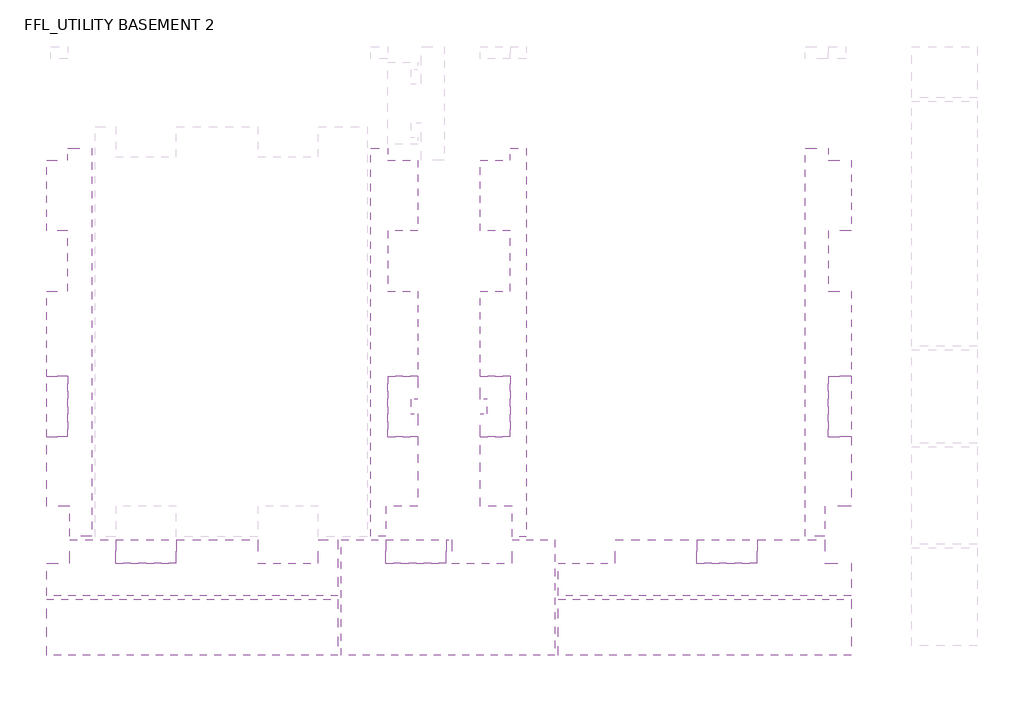
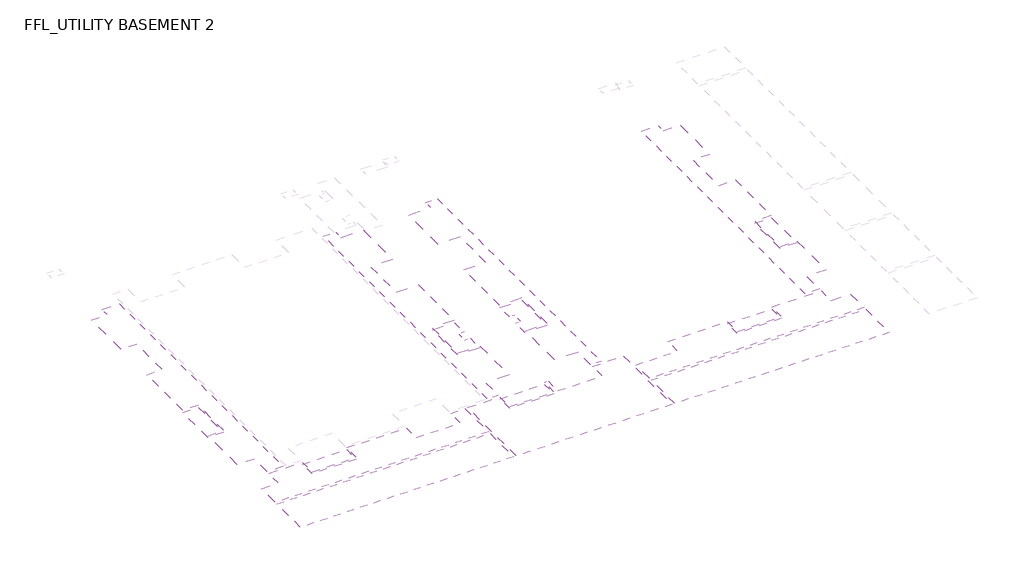
# One storey, part 1 of 3: 16 coverings.
"""IFC4 building model written with IfcOpenShell, lengths in millimetres."""

import ifcopenshell
import ifcopenshell.guid

model = None  # the IFC model being written
_history = None  # IfcOwnerHistory: only IFC2X3 demands one
_inside = {}  # id of a spatial element -> (the spatial element, [elements in it])
_under = {}  # id of a project, library or spatial element -> (it, [spatial elements below it])
_declared = {}  # id of a project -> (the project, [libraries it declares])
_typed = {}  # id of a type object -> (the type object, [elements of that type])
_made_of = {}  # id of a material, layer set ... -> (it, [elements and type objects made of it])


def new_model(schema):
    """Start an empty IFC model of exactly this schema.

    Asked for "IFC4X3", IfcOpenShell would pick the latest addendum, in which some entities
    have other attributes; the version numbers below select the first issue.
    IFC2X3 requires an IfcOwnerHistory on every rooted entity: one is made here for all.
    """
    global model, _history
    if schema == "IFC4X3":
        model = ifcopenshell.file(schema_version=(4, 3, 0, 0))
    else:
        model = ifcopenshell.file(schema=schema)
    _inside.clear()
    _under.clear()
    _declared.clear()
    _typed.clear()
    _made_of.clear()
    _history = None
    if model.schema == "IFC2X3":
        org = make("IfcOrganization", Name="unknown")
        user = make(
            "IfcPersonAndOrganization",
            ThePerson=make("IfcPerson", FamilyName="unknown"),
            TheOrganization=org,
        )
        app = make(
            "IfcApplication",
            ApplicationDeveloper=org,
            Version="unknown",
            ApplicationFullName="unknown",
            ApplicationIdentifier="unknown",
        )
        _history = make(
            "IfcOwnerHistory",
            OwningUser=user,
            OwningApplication=app,
            ChangeAction="ADDED",
            CreationDate=0,
        )
    return model


def make(cls, **values):
    """One entity of the class cls with the attributes given. An attribute that is None is left unset."""
    return model.create_entity(
        cls, **{name: value for name, value in values.items() if value is not None}
    )


def rooted(cls, **values):
    """An entity with a GlobalId (a new one), such as an element, a storey or a relation."""
    return make(cls, GlobalId=ifcopenshell.guid.new(), OwnerHistory=_history, **values)


def si_unit(unit_type, name, prefix=None):
    """IfcSIUnit, for example si_unit("LENGTHUNIT", "METRE", prefix="MILLI")."""
    return make("IfcSIUnit", UnitType=unit_type, Prefix=prefix, Name=name)


def assignment(units):
    """IfcUnitAssignment: the units of a project."""
    return None if units is None else make("IfcUnitAssignment", Units=units)


def point(xyz):
    """IfcCartesianPoint."""
    return None if xyz is None else make("IfcCartesianPoint", Coordinates=xyz)


def direction(xyz):
    """IfcDirection."""
    return None if xyz is None else make("IfcDirection", DirectionRatios=xyz)


def frame(location, z_axis=None, x_axis=None):
    """IfcAxis2Placement3D, a coordinate frame: its origin and axes. An axis left out is left unset."""
    return make(
        "IfcAxis2Placement3D",
        Location=point(location),
        Axis=direction(z_axis),
        RefDirection=direction(x_axis),
    )


def origin():
    """The frame at (0, 0, 0) with its axes left unset."""
    return frame((0.0, 0.0, 0.0))


def place(relative_to, where):
    """IfcLocalPlacement: puts the frame where relative to a parent placement (None: the world)."""
    return make(
        "IfcLocalPlacement", PlacementRelTo=relative_to, RelativePlacement=where
    )


def context(
    kind, dimensions, precision=None, world=None, true_north=None, identifier=None
):
    """IfcGeometricRepresentationContext, for example the 3D "Model" context."""
    return make(
        "IfcGeometricRepresentationContext",
        ContextIdentifier=identifier,
        ContextType=kind,
        CoordinateSpaceDimension=dimensions,
        Precision=precision,
        WorldCoordinateSystem=world,
        TrueNorth=true_north,
    )


def project(units=None, contexts=None):
    """IfcProject with its units and contexts."""
    return rooted(
        "IfcProject",
        Name="project",
        RepresentationContexts=contexts,
        UnitsInContext=assignment(units),
    )


def spatial(cls, under=None, at=None, **own):
    """A site, building, storey or space (cls), placed at a placement, below another one or the project."""
    s = rooted(cls, ObjectPlacement=at, **own)
    if under is not None:
        _under.setdefault(under.id(), (under, []))[1].append(s)
    return s


def polyline(points):
    """IfcPolyline through the points."""
    return make("IfcPolyline", Points=[point(p) for p in points])


def outline(outer, holes=None, kind="AREA"):
    """IfcArbitraryClosedProfileDef: a profile drawn as a closed curve; with holes, ...WithVoids."""
    if holes is None:
        return make("IfcArbitraryClosedProfileDef", ProfileType=kind, OuterCurve=outer)
    return make(
        "IfcArbitraryProfileDefWithVoids",
        ProfileType=kind,
        OuterCurve=outer,
        InnerCurves=holes,
    )


def extrude(swept, where, along, depth):
    """IfcExtrudedAreaSolid: the profile swept, set in the frame where, extruded along a direction by depth."""
    return make(
        "IfcExtrudedAreaSolid",
        SweptArea=swept,
        Position=where,
        ExtrudedDirection=direction(along),
        Depth=depth,
    )


def shape(context_of_items, identifier, shape_type, items):
    """IfcShapeRepresentation: the items that make up one representation, for example the "Body"."""
    return make(
        "IfcShapeRepresentation",
        ContextOfItems=context_of_items,
        RepresentationIdentifier=identifier,
        RepresentationType=shape_type,
        Items=items,
    )


def made_of(thing, what):
    """Note that an element or type object is made of a material, layer set ...; save() writes the relation."""
    if what is not None:
        _made_of.setdefault(what.id(), (what, []))[1].append(thing)
    return thing


def element(
    cls,
    number,
    at=None,
    inside=None,
    cuts=None,
    type_object=None,
    material=None,
    context=None,
    identifier="Body",
    shape_type=None,
    held_by="IfcProductDefinitionShape",
    body=None,
    shapes=None,
    **own,
):
    """One element of the class cls, such as IfcWall. Its Tag is "e" and its number.

    at: its placement. inside: the storey or other place that contains it. cuts: it is an
    opening in that element (IfcRelVoidsElement). A single representation is given by context,
    identifier, shape_type and body (its items); several are given by shapes. held_by: the class
    of the entity that holds the representations. save() writes the other relations.
    """
    e = rooted(cls, Tag="e%d" % number, ObjectPlacement=at, **own)
    if body is not None:
        shapes = [shape(context, identifier, shape_type, body)]
    if shapes is not None:
        e.Representation = make(held_by, Representations=shapes)
    if inside is not None:
        _inside.setdefault(inside.id(), (inside, []))[1].append(e)
    if cuts is not None:
        rooted(
            "IfcRelVoidsElement", RelatingBuildingElement=cuts, RelatedOpeningElement=e
        )
    if type_object is not None:
        _typed.setdefault(type_object.id(), (type_object, []))[1].append(e)
    return made_of(e, material)


def aggregate(whole, parts):
    """IfcRelAggregates: a whole, such as a stair, and the parts it consists of."""
    return rooted("IfcRelAggregates", RelatingObject=whole, RelatedObjects=parts)


def save(model, path):
    """Write the relations noted so far, then the file.

    IfcRelAggregates (storeys below a building ...), IfcRelContainedInSpatialStructure (elements
    in a storey), IfcRelDefinesByType, IfcRelAssociatesMaterial and IfcRelDeclares: one each for
    every whole, place, type object, material and project.
    """
    for whole, parts in _under.values():
        aggregate(whole, parts)
    for where, things in _inside.values():
        rooted(
            "IfcRelContainedInSpatialStructure",
            RelatedElements=things,
            RelatingStructure=where,
        )
    for kind, things in _typed.values():
        rooted("IfcRelDefinesByType", RelatedObjects=things, RelatingType=kind)
    for what, things in _made_of.values():
        rooted("IfcRelAssociatesMaterial", RelatedObjects=things, RelatingMaterial=what)
    for by, libraries in _declared.values():
        rooted("IfcRelDeclares", RelatingContext=by, RelatedDefinitions=libraries)
    model.write(path)


model = new_model("IFC4")

# Units and contexts
model_context = context("Model", 3, world=origin())
ifc_project = project(units=[si_unit("LENGTHUNIT", "METRE", prefix="MILLI")], contexts=[model_context])

# Site, building, storey
site = spatial("IfcSite", under=ifc_project)
building = spatial("IfcBuilding", under=site)
storey = spatial("IfcBuildingStorey", under=building, Name="FFL_UTILITY BASEMENT 2", Elevation=-10050.0)

# Coverings
placement = place(None, origin())
element("IfcCovering", 1, ObjectType="Plaster Paint", at=placement, inside=storey, context=model_context, shape_type="SweptSolid", body=[
    extrude(outline(polyline([(-2705.1920273, -93809.652132), (-2705.1920273, -71949.5171895), (-1405.1920273, -71949.5171895), (-1405.1920273, -72649.652132), (-105.1920273, -72649.652132), (-105.1920273, -76604.652132), (-1405.1920273, -76604.652132), (-1405.1920273, -80004.652132), (-105.1920273, -80004.652132), (-105.1920273, -84799.652132), (-1405.1920273, -84799.652132), (-1405.1920273, -88199.652132), (-105.1920273, -88199.652132), (-105.1920273, -92109.652132), (-1605.1920273, -92109.652132), (-1605.1920273, -93809.652132), (-2705.1920273, -93809.652132)])), frame((0.0, 0.0, -3590.0), z_axis=(0.0, 0.0, 1.0), x_axis=(1.0, 0.0, 0.0)), (0.0, 0.0, 1.0), 20.0),
])
element("IfcCovering", 2, ObjectType="Plaster Paint", at=placement, inside=storey, context=model_context, shape_type="SweptSolid", body=[
    extrude(outline(polyline([(-1605.1920273, -93809.652132), (-1605.1920273, -92109.652132), (-105.1920273, -92109.652132), (-105.1920273, -93409.652132), (-305.1920273, -93409.652132), (-305.1920273, -93809.652132), (-1605.1920273, -93809.652132)])), frame((0.0, 0.0, -3750.0), z_axis=(0.0, 0.0, 1.0), x_axis=(1.0, 0.0, 0.0)), (0.0, 0.0, 1.0), 20.0),
    extrude(outline(polyline([(-105.1920273, -88199.652132), (-1405.1920273, -88199.652132), (-1405.1920273, -84799.652132), (-105.1920273, -84799.652132), (-105.1920273, -88199.652132)])), frame((0.0, 0.0, -3750.0), z_axis=(0.0, 0.0, 1.0), x_axis=(1.0, 0.0, 0.0)), (0.0, 0.0, 1.0), 20.0),
    extrude(outline(polyline([(-1405.1920273, -72649.652132), (-1405.1920273, -71949.5171895), (-105.1920273, -71949.5171895), (-105.1920273, -72649.652132), (-1405.1920273, -72649.652132)])), frame((0.0, 0.0, -3750.0), z_axis=(0.0, 0.0, 1.0), x_axis=(1.0, 0.0, 0.0)), (0.0, 0.0, 1.0), 20.0),
    extrude(outline(polyline([(-105.1920273, -76604.652132), (-105.1920273, -80004.652132), (-1405.1920273, -80004.652132), (-1405.1920273, -76604.652132), (-105.1920273, -76604.652132)])), frame((0.0, 0.0, -3750.0), z_axis=(0.0, 0.0, 1.0), x_axis=(1.0, 0.0, 0.0)), (0.0, 0.0, 1.0), 20.0),
])
element("IfcCovering", 3, ObjectType="Plaster Paint", at=placement, inside=storey, context=model_context, shape_type="SweptSolid", body=[
    extrude(outline(polyline([(-105.1920273, -95309.652132), (-1605.1920273, -95309.652132), (-1605.1920273, -94009.652132), (-105.1920273, -94009.652132), (-105.1920273, -95309.652132)])), frame((0.0, 0.0, -3750.0), z_axis=(0.0, 0.0, 1.0), x_axis=(1.0, 0.0, 0.0)), (0.0, 0.0, 1.0), 20.0),
    extrude(outline(polyline([(-5405.1920273, -95309.652132), (-8805.1920273, -95309.652132), (-8805.1920273, -94009.652132), (-5405.1920273, -94009.652132), (-5405.1920273, -95309.652132)])), frame((0.0, 0.0, -3750.0), z_axis=(0.0, 0.0, 1.0), x_axis=(1.0, 0.0, 0.0)), (0.0, 0.0, 1.0), 20.0),
    extrude(outline(polyline([(-16605.1920273, -95309.652132), (-16605.1920273, -94009.652132), (-13405.1920273, -94009.652132), (-13405.1920273, -95309.652132), (-16605.1920273, -95309.652132)])), frame((0.0, 0.0, -3750.0), z_axis=(0.0, 0.0, 1.0), x_axis=(1.0, 0.0, 0.0)), (0.0, 0.0, 1.0), 20.0),
])
element("IfcCovering", 4, ObjectType="Plaster Paint", at=placement, inside=storey, context=model_context, shape_type="SweptSolid", body=[
    extrude(outline(polyline([(-105.1920273, -97159.652132), (-16605.1920273, -97159.652132), (-16605.1920273, -95309.652132), (-13405.1920273, -95309.652132), (-13405.1920273, -94009.652132), (-8805.1920273, -94009.652132), (-8805.1920273, -95309.652132), (-5405.1920273, -95309.652132), (-5405.1920273, -94009.652132), (-1605.1920273, -94009.652132), (-1605.1920273, -95309.652132), (-105.1920273, -95309.652132), (-105.1920273, -97159.652132)])), frame((0.0, 0.0, -3590.0), z_axis=(0.0, 0.0, 1.0), x_axis=(1.0, 0.0, 0.0)), (0.0, 0.0, 1.0), 20.0),
])
element("IfcCovering", 5, ObjectType="Plaster Paint", at=placement, inside=storey, context=model_context, shape_type="SweptSolid", body=[
    extrude(outline(polyline([(-105.1920273, -97359.652132), (-105.1920273, -100509.652132), (-16605.1920273, -100509.652132), (-16605.1920273, -97359.652132), (-105.1920273, -97359.652132)])), frame((0.0, 0.0, -3590.0), z_axis=(0.0, 0.0, 1.0), x_axis=(1.0, 0.0, 0.0)), (0.0, 0.0, 1.0), 20.0),
])
element("IfcCovering", 6, ObjectType="Plaster Paint", at=placement, inside=storey, context=model_context, shape_type="SweptSolid", body=[
    extrude(outline(polyline([(-16805.1920273, -100509.652132), (-28805.1920273, -100509.652132), (-28805.1920273, -94009.652132), (-26305.1920273, -94009.652132), (-26305.1920273, -95309.652132), (-22905.1920273, -95309.652132), (-22905.1920273, -94009.652132), (-22605.1920273, -94009.652132), (-22605.1920273, -95309.652132), (-19205.1920273, -95309.652132), (-19205.1920273, -94009.652132), (-16805.1920273, -94009.652132), (-16805.1920273, -100509.652132)])), frame((0.0, 0.0, -3590.0), z_axis=(0.0, 0.0, 1.0), x_axis=(1.0, 0.0, 0.0)), (0.0, 0.0, 1.0), 20.0),
])
element("IfcCovering", 7, ObjectType="Plaster Paint", at=placement, inside=storey, context=model_context, shape_type="SweptSolid", body=[
    extrude(outline(polyline([(-22905.1920273, -95309.652132), (-26305.1920273, -95309.652132), (-26305.1920273, -94009.652132), (-22905.1920273, -94009.652132), (-22905.1920273, -95309.652132)])), frame((0.0, 0.0, -3750.0), z_axis=(0.0, 0.0, 1.0), x_axis=(1.0, 0.0, 0.0)), (0.0, 0.0, 1.0), 20.0),
    extrude(outline(polyline([(-19205.1920273, -94009.652132), (-19205.1920273, -95309.652132), (-22605.1920273, -95309.652132), (-22605.1920273, -94009.652132), (-19205.1920273, -94009.652132)])), frame((0.0, 0.0, -3750.0), z_axis=(0.0, 0.0, 1.0), x_axis=(1.0, 0.0, 0.0)), (0.0, 0.0, 1.0), 20.0),
])
element("IfcCovering", 8, ObjectType="Plaster Paint", at=placement, inside=storey, context=model_context, shape_type="SweptSolid", body=[
    extrude(outline(polyline([(-44105.1920273, -94009.652132), (-41505.1920273, -94009.652132), (-41505.1920273, -95309.652132), (-38105.1920273, -95309.652132), (-38105.1920273, -94009.652132), (-33505.1920273, -94009.652132), (-33505.1920273, -95309.652132), (-30105.1920273, -95309.652132), (-30105.1920273, -94009.652132), (-29005.1920273, -94009.652132), (-29005.1920273, -97159.652132), (-45405.1920273, -97159.652132), (-45405.1920273, -95309.652132), (-44105.1920273, -95309.652132), (-44105.1920273, -94009.652132)])), frame((0.0, 0.0, -3590.0), z_axis=(0.0, 0.0, 1.0), x_axis=(1.0, 0.0, 0.0)), (0.0, 0.0, 1.0), 20.0),
])
element("IfcCovering", 9, ObjectType="Plaster Paint", at=placement, inside=storey, context=model_context, shape_type="SweptSolid", body=[
    extrude(outline(polyline([(-44105.1920273, -95309.652132), (-45405.1920273, -95309.652132), (-45405.1920273, -94009.652132), (-44105.1920273, -94009.652132), (-44105.1920273, -95309.652132)])), frame((0.0, 0.0, -3750.0), z_axis=(0.0, 0.0, 1.0), x_axis=(1.0, 0.0, 0.0)), (0.0, 0.0, 1.0), 20.0),
    extrude(outline(polyline([(-38105.1920273, -95309.652132), (-41505.1920273, -95309.652132), (-41505.1920273, -94009.652132), (-38105.1920273, -94009.652132), (-38105.1920273, -95309.652132)])), frame((0.0, 0.0, -3750.0), z_axis=(0.0, 0.0, 1.0), x_axis=(1.0, 0.0, 0.0)), (0.0, 0.0, 1.0), 20.0),
    extrude(outline(polyline([(-30105.1920273, -95309.652132), (-33505.1920273, -95309.652132), (-33505.1920273, -94009.652132), (-30105.1920273, -94009.652132), (-30105.1920273, -95309.652132)])), frame((0.0, 0.0, -3750.0), z_axis=(0.0, 0.0, 1.0), x_axis=(1.0, 0.0, 0.0)), (0.0, 0.0, 1.0), 20.0),
])
element("IfcCovering", 10, ObjectType="Plaster Paint", at=placement, inside=storey, context=model_context, shape_type="SweptSolid", body=[
    extrude(outline(polyline([(-29005.1920273, -97359.652132), (-29005.1920273, -100509.652132), (-45405.1920273, -100509.652132), (-45405.1920273, -97359.652132), (-29005.1920273, -97359.652132)])), frame((0.0, 0.0, -3590.0), z_axis=(0.0, 0.0, 1.0), x_axis=(1.0, 0.0, 0.0)), (0.0, 0.0, 1.0), 20.0),
])
element("IfcCovering", 11, ObjectType="Plaster Paint", at=placement, inside=storey, context=model_context, shape_type="SweptSolid", body=[
    extrude(outline(polyline([(-18405.1920273, -93819.652132), (-19205.1920273, -93819.652132), (-19205.1920273, -92119.652132), (-21005.1920273, -92119.652132), (-21005.1920273, -88199.652132), (-19305.1920273, -88199.652132), (-19305.1920273, -84799.652132), (-21005.1920273, -84799.652132), (-21005.1920273, -80000.1209928), (-19305.1920273, -80000.1209928), (-19305.1920273, -76609.652132), (-21005.1920273, -76609.652132), (-21005.1920273, -72649.652132), (-19305.1920273, -72649.652132), (-19305.1920273, -71949.7870746), (-18405.1920273, -71949.7870746), (-18405.1920273, -93819.652132)])), frame((0.0, 0.0, -3590.0), z_axis=(0.0, 0.0, 1.0), x_axis=(1.0, 0.0, 0.0)), (0.0, 0.0, 1.0), 20.0),
])
element("IfcCovering", 12, ObjectType="Plaster Paint", at=placement, inside=storey, context=model_context, shape_type="SweptSolid", body=[
    extrude(outline(polyline([(-19205.1920273, -93809.652132), (-20505.1920273, -93809.652132), (-20505.1920273, -93409.652132), (-21005.1920273, -93409.652132), (-21005.1920273, -92109.652132), (-19205.1920273, -92109.652132), (-19205.1920273, -93809.652132)])), frame((0.0, 0.0, -3750.0), z_axis=(0.0, 0.0, 1.0), x_axis=(1.0, 0.0, 0.0)), (0.0, 0.0, 1.0), 20.0),
    extrude(outline(polyline([(-21005.1920273, -88199.652132), (-21005.1920273, -86899.652132), (-20605.1920273, -86899.652132), (-20605.1920273, -86099.652132), (-21005.1920273, -86099.652132), (-21005.1920273, -84799.652132), (-19305.1920273, -84799.652132), (-19305.1920273, -88199.652132), (-21005.1920273, -88199.652132)])), frame((0.0, 0.0, -3750.0), z_axis=(0.0, 0.0, 1.0), x_axis=(1.0, 0.0, 0.0)), (0.0, 0.0, 1.0), 20.0),
    extrude(outline(polyline([(-19305.1920273, -80009.652132), (-21005.1920273, -80009.652132), (-21005.1920273, -78709.652132), (-20605.1920273, -78709.652132), (-20605.1920273, -77909.652132), (-21005.1920273, -77909.652132), (-21005.1920273, -76609.652132), (-19305.1920273, -76609.652132), (-19305.1920273, -80009.652132)])), frame((0.0, 0.0, -3750.0), z_axis=(0.0, 0.0, 1.0), x_axis=(1.0, 0.0, 0.0)), (0.0, 0.0, 1.0), 20.0),
    extrude(outline(polyline([(-19305.1920273, -72649.652132), (-21005.1920273, -72649.652132), (-21005.1920273, -71949.7870746), (-19305.1920273, -71949.7870746), (-19305.1920273, -72649.652132)])), frame((0.0, 0.0, -3750.0), z_axis=(0.0, 0.0, 1.0), x_axis=(1.0, 0.0, 0.0)), (0.0, 0.0, 1.0), 20.0),
])
element("IfcCovering", 13, ObjectType="Plaster Paint", at=placement, inside=storey, context=model_context, shape_type="SweptSolid", body=[
    extrude(outline(polyline([(-27155.1920273, -93809.652132), (-27155.1920273, -71949.7870746), (-26205.1920273, -71949.7870746), (-26205.1920273, -72649.652132), (-24505.1920273, -72649.652132), (-24505.1920273, -76609.652132), (-26205.1920273, -76609.652132), (-26205.1920273, -80000.1209928), (-24505.1920273, -80000.1209928), (-24505.1920273, -84799.652132), (-26205.1920273, -84799.652132), (-26205.1920273, -88199.652132), (-24505.1920273, -88199.652132), (-24505.1920273, -92109.652132), (-26305.1920273, -92109.652132), (-26305.1920273, -93809.652132), (-27155.1920273, -93809.652132)])), frame((0.0, 0.0, -3590.0), z_axis=(0.0, 0.0, 1.0), x_axis=(1.0, 0.0, 0.0)), (0.0, 0.0, 1.0), 20.0),
])
element("IfcCovering", 14, ObjectType="Plaster Paint", at=placement, inside=storey, context=model_context, shape_type="SweptSolid", body=[
    extrude(outline(polyline([(-26305.1920273, -93809.652132), (-26305.1920273, -92109.652132), (-24505.1920273, -92109.652132), (-24505.1920273, -93409.652132), (-25005.1920273, -93409.652132), (-25005.1920273, -93809.652132), (-26305.1920273, -93809.652132)])), frame((0.0, 0.0, -3750.0), z_axis=(0.0, 0.0, 1.0), x_axis=(1.0, 0.0, 0.0)), (0.0, 0.0, 1.0), 20.0),
    extrude(outline(polyline([(-24505.1920273, -88199.652132), (-26205.1920273, -88199.652132), (-26205.1920273, -84799.652132), (-24505.1920273, -84799.652132), (-24505.1920273, -86099.652132), (-24905.1920273, -86099.652132), (-24905.1920273, -86899.652132), (-24505.1920273, -86899.652132), (-24505.1920273, -88199.652132)])), frame((0.0, 0.0, -3750.0), z_axis=(0.0, 0.0, 1.0), x_axis=(1.0, 0.0, 0.0)), (0.0, 0.0, 1.0), 20.0),
    extrude(outline(polyline([(-26205.1920273, -80000.1209928), (-26205.1920273, -76609.652132), (-24505.1920273, -76609.652132), (-24505.1920273, -77909.652132), (-24905.1920273, -77909.652132), (-24905.1920273, -78709.652132), (-24505.1920273, -78709.652132), (-24505.1920273, -80000.1209928), (-26205.1920273, -80000.1209928)])), frame((0.0, 0.0, -3750.0), z_axis=(0.0, 0.0, 1.0), x_axis=(1.0, 0.0, 0.0)), (0.0, 0.0, 1.0), 20.0),
    extrude(outline(polyline([(-26205.1920273, -72649.652132), (-26205.1920273, -71949.7870746), (-24505.1920273, -71949.7870746), (-24505.1920273, -72649.652132), (-26205.1920273, -72649.652132)])), frame((0.0, 0.0, -3750.0), z_axis=(0.0, 0.0, 1.0), x_axis=(1.0, 0.0, 0.0)), (0.0, 0.0, 1.0), 20.0),
])
element("IfcCovering", 15, ObjectType="Plaster Paint", at=placement, inside=storey, context=model_context, shape_type="SweptSolid", body=[
    extrude(outline(polyline([(-42855.1920273, -93809.652132), (-44105.1920273, -93809.652132), (-44105.1920273, -92109.652132), (-45405.1920273, -92109.652132), (-45405.1920273, -88199.652132), (-44205.1920273, -88199.652132), (-44205.1920273, -84799.652132), (-45405.1920273, -84799.652132), (-45405.1920273, -80009.652132), (-44205.1920273, -80009.652132), (-44205.1920273, -76609.652132), (-45405.1920273, -76609.652132), (-45405.1920273, -72649.652132), (-44205.1920273, -72649.652132), (-44205.1920273, -71949.7870746), (-42855.1920273, -71949.7870746), (-42855.1920273, -93809.652132)])), frame((0.0, 0.0, -3590.0), z_axis=(0.0, 0.0, 1.0), x_axis=(1.0, 0.0, 0.0)), (0.0, 0.0, 1.0), 20.0),
])
element("IfcCovering", 16, ObjectType="Plaster Paint", at=placement, inside=storey, context=model_context, shape_type="SweptSolid", body=[
    extrude(outline(polyline([(-44205.1920273, -72649.652132), (-45405.1920273, -72649.652132), (-45405.1920273, -71949.7870746), (-44205.1920273, -71949.7870746), (-44205.1920273, -72649.652132)])), frame((0.0, 0.0, -3750.0), z_axis=(0.0, 0.0, 1.0), x_axis=(1.0, 0.0, 0.0)), (0.0, 0.0, 1.0), 20.0),
    extrude(outline(polyline([(-44205.1920273, -76609.652132), (-44205.1920273, -80009.652132), (-45405.1920273, -80009.652132), (-45405.1920273, -76609.652132), (-44205.1920273, -76609.652132)])), frame((0.0, 0.0, -3750.0), z_axis=(0.0, 0.0, 1.0), x_axis=(1.0, 0.0, 0.0)), (0.0, 0.0, 1.0), 20.0),
    extrude(outline(polyline([(-45405.1920273, -84799.652132), (-44205.1920273, -84799.652132), (-44205.1920273, -88199.652132), (-45405.1920273, -88199.652132), (-45405.1920273, -84799.652132)])), frame((0.0, 0.0, -3750.0), z_axis=(0.0, 0.0, 1.0), x_axis=(1.0, 0.0, 0.0)), (0.0, 0.0, 1.0), 20.0),
    extrude(outline(polyline([(-44105.1920273, -92109.652132), (-44105.1920273, -93809.652132), (-45405.1920273, -93809.652132), (-45405.1920273, -92109.652132), (-44105.1920273, -92109.652132)])), frame((0.0, 0.0, -3750.0), z_axis=(0.0, 0.0, 1.0), x_axis=(1.0, 0.0, 0.0)), (0.0, 0.0, 1.0), 20.0),
])

save(model, "model.ifc")
